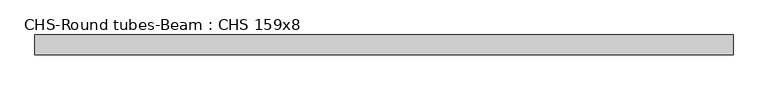
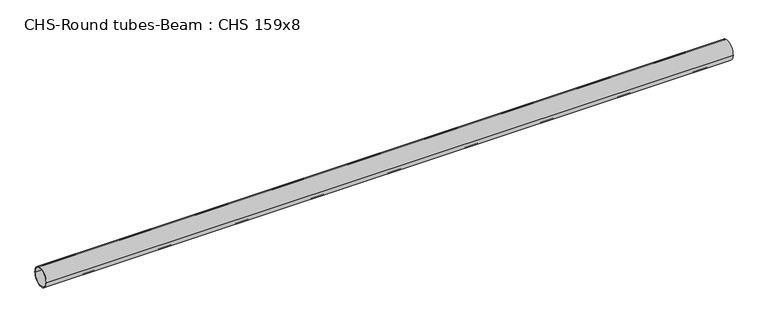
"""IFC4 building model written with IfcOpenShell, lengths in millimetres: beam geometry, CHS-Round tubes-Beam : CHS 159x8."""

from ifc_helpers import new_model, si_unit, point, frame, origin, origin_2d, place, context, project, spatial, circle_curve, trimmed, segment, composite_curve, outline, extrude, source, transform, mapped, element, save


def chs_round_tubes_beam_chs_159x8_1ce8465b(model_context):
    return source(origin(), model_context, "Body", "SweptSolid", [
        extrude(outline(composite_curve([segment(trimmed(circle_curve(origin_2d(), 79.5), [point((79.5, 0.0))], [point((-79.5, 0.0))], False, "CARTESIAN"), True, "CONTINUOUS"), segment(trimmed(circle_curve(origin_2d(), 79.5), [point((-79.5, 0.0))], [point((79.5, 0.0))], False, "CARTESIAN"), True, "CONTINUOUS")], self_intersect=False), holes=[composite_curve([segment(trimmed(circle_curve(origin_2d(), 71.5), [point((71.5, 0.0))], [point((-71.5, 0.0))], True, "CARTESIAN"), True, "CONTINUOUS"), segment(trimmed(circle_curve(origin_2d(), 71.5), [point((-71.5, 0.0))], [point((71.5, 0.0))], True, "CARTESIAN"), True, "CONTINUOUS")], self_intersect=False)]), frame((-2821.3462604, 0.0, 0.0), z_axis=(1.0, 0.0, 0.0), x_axis=(0.0, 1.0, 0.0)), (0.0, 0.0, 1.0), 5636.3575148),
    ])


if __name__ == "__main__":
    model = new_model("IFC4")
    model_context = context("Model", 3, world=origin())
    ifc_project = project(units=[si_unit("LENGTHUNIT", "METRE", prefix="MILLI")], contexts=[model_context])
    site = spatial("IfcSite", under=ifc_project)
    building = spatial("IfcBuilding", under=site)
    placement = place(None, origin())
    chs_round_tubes_beam_chs_159x8_shape = chs_round_tubes_beam_chs_159x8_1ce8465b(model_context)
    element("IfcBeam", 1, ObjectType="CHS-Round tubes-Beam : CHS 159x8", at=placement, inside=building, context=model_context, shape_type="MappedRepresentation", body=[
        mapped(chs_round_tubes_beam_chs_159x8_shape, transform((0.0, 0.0, 0.0), x_axis=(1.0, 0.0, 0.0), y_axis=(0.0, 1.0, 0.0), z_axis=(0.0, 0.0, 1.0))),
    ])
    save(model, "model.ifc")
